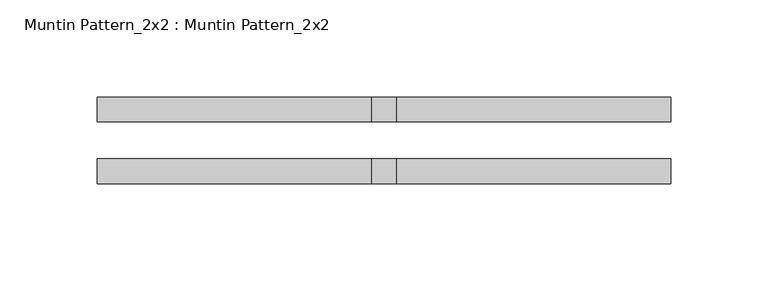
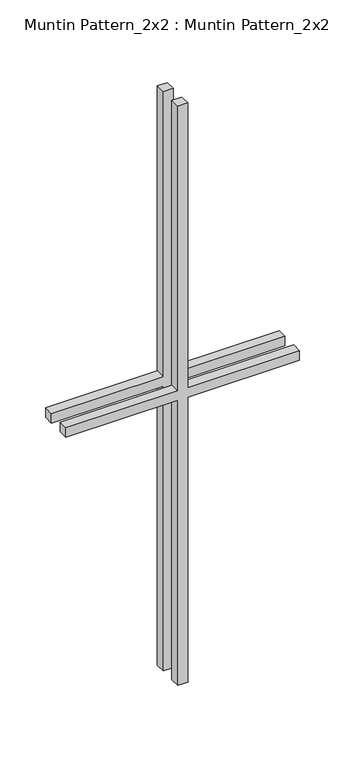
"""IFC4 building model written with IfcOpenShell, lengths in millimetres: proxy geometry, Muntin Pattern_2x2 : Muntin Pattern_2x2."""

from ifc_helpers import new_model, si_unit, frame, origin, place, context, project, spatial, polyline, outline, extrude, source, transform, mapped, element, save


def muntin_pattern_2x2_muntin_pattern_2x2_3e0ecaf2(model_context):
    return source(origin(), model_context, "Body", "SweptSolid", [
        extrude(outline(polyline([(393.7, -6.35), (393.7, -147.6375), (381.0, -147.6375), (381.0, -6.35), (0.0, -6.35), (0.0, 6.35), (381.0, 6.35), (381.0, 147.6375), (393.7, 147.6375), (393.7, 6.35), (774.7, 6.35), (774.7, -6.35), (393.7, -6.35)])), frame((0.0, -22.225, 0.0), z_axis=(0.0, 1.0, 0.0), x_axis=(0.0, 0.0, 1.0)), (0.0, 0.0, 1.0), 12.7),
        extrude(outline(polyline([(393.7, -6.35), (393.7, -147.6375), (381.0, -147.6375), (381.0, -6.35), (0.0, -6.35), (0.0, 6.35), (381.0, 6.35), (381.0, 147.6375), (393.7, 147.6375), (393.7, 6.35), (774.7, 6.35), (774.7, -6.35), (393.7, -6.35)])), frame((0.0, 9.525, 0.0), z_axis=(0.0, 1.0, 0.0), x_axis=(0.0, 0.0, 1.0)), (0.0, 0.0, 1.0), 12.7),
    ])


if __name__ == "__main__":
    model = new_model("IFC4")
    model_context = context("Model", 3, world=origin())
    ifc_project = project(units=[si_unit("LENGTHUNIT", "METRE", prefix="MILLI")], contexts=[model_context])
    site = spatial("IfcSite", under=ifc_project)
    building = spatial("IfcBuilding", under=site)
    placement = place(None, origin())
    muntin_pattern_2x2_muntin_pattern_2x2_shape = muntin_pattern_2x2_muntin_pattern_2x2_3e0ecaf2(model_context)
    element("IfcBuildingElementProxy", 1, Name="Muntin Pattern_2x2 : Muntin Pattern_2x2", ObjectType="Muntin Pattern_2x2 : Muntin Pattern_2x2", at=placement, inside=building, context=model_context, shape_type="MappedRepresentation", body=[
        mapped(muntin_pattern_2x2_muntin_pattern_2x2_shape, transform((0.0, 0.0, 0.0), x_axis=(1.0, 0.0, 0.0), y_axis=(0.0, 1.0, 0.0), z_axis=(0.0, 0.0, 1.0))),
    ])
    save(model, "model.ifc")
